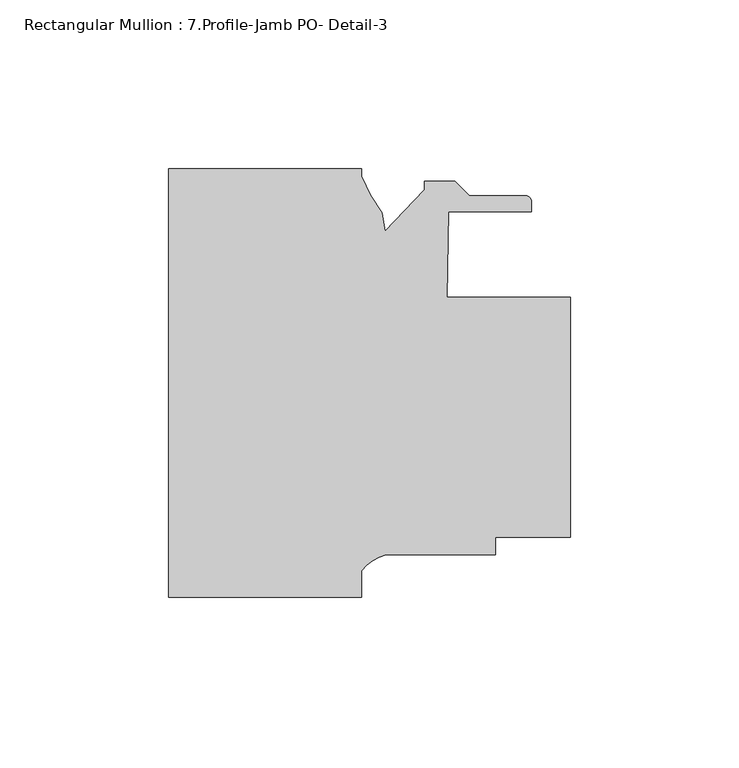
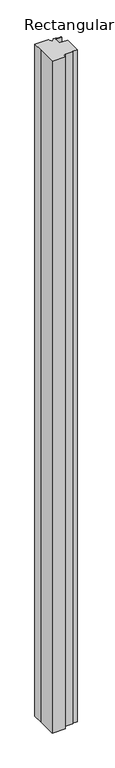
"""IFC4 building model written with IfcOpenShell, lengths in millimetres: member geometry, Rectangular Mullion : 7.Profile-Jamb PO- Detail-3."""

from ifc_helpers import new_model, si_unit, point, frame, frame_2d, origin, place, context, project, spatial, polyline, circle_curve, trimmed, segment, composite_curve, outline, extrude, source, transform, mapped, element, save


def rectangular_mullion_7_profile_jamb_po_detail_3_d5553ccb(model_context):
    return source(origin(), model_context, "Body", "SweptSolid", [
        extrude(outline(composite_curve([segment(polyline([(-61.9124999, 0.0), (-61.9124999, -2.214836)]), True, "CONTINUOUS"), segment(trimmed(circle_curve(frame_2d((-10.2567697, 19.7086057)), 56.1155216), [point((-61.9124999, -2.214836))], [point((-55.8195555, -13.0478335))], True, "CARTESIAN"), True, "CONTINUOUS"), segment(polyline([(-55.8195555, -13.0478335), (-54.8609038, -18.4846173), (-43.2363504, -6.2788361), (-43.2363504, -3.7388361), (-34.1360582, -3.7388361), (-29.8688582, -8.0060361), (-13.2643504, -8.0060361)]), True, "CONTINUOUS"), segment(trimmed(circle_curve(frame_2d((-13.2643504, -9.7840361)), 1.778), [point((-13.2643504, -8.0060361))], [point((-11.4863504, -9.7840361))], False, "CARTESIAN"), True, "CONTINUOUS"), segment(polyline([(-11.4863504, -9.7840361), (-11.4863504, -12.7050363), (-36.1664694, -12.7050363), (-36.6098281, -38.1050361), (0.0, -38.1050361), (0.0, -109.2250361), (-22.2249999, -109.2250361), (-22.2249999, -114.3050361), (-54.6199873, -114.3050361)]), True, "CONTINUOUS"), segment(trimmed(circle_curve(frame_2d((-51.0928183, -127.5358498)), 13.6928942), [point((-54.6199873, -114.3050361))], [point((-61.9124999, -119.1436009))], True, "CARTESIAN"), True, "CONTINUOUS"), segment(polyline([(-61.9124999, -119.1436009), (-61.9124999, -127.0), (-119.0624999, -127.0), (-119.0624999, -42.110753), (-119.0624999, 0.0), (-61.9124999, 0.0)]), True, "CONTINUOUS")], self_intersect=False)), frame((0.0, 0.0, -3048.0), z_axis=(0.0, 0.0, 1.0), x_axis=(1.0, 0.0, 0.0)), (0.0, 0.0, 1.0), 3048.0),
    ])


if __name__ == "__main__":
    model = new_model("IFC4")
    model_context = context("Model", 3, world=origin())
    ifc_project = project(units=[si_unit("LENGTHUNIT", "METRE", prefix="MILLI")], contexts=[model_context])
    site = spatial("IfcSite", under=ifc_project)
    building = spatial("IfcBuilding", under=site)
    placement = place(None, origin())
    rectangular_mullion_7_profile_jamb_po_detail_3_shape = rectangular_mullion_7_profile_jamb_po_detail_3_d5553ccb(model_context)
    element("IfcMember", 1, ObjectType="Rectangular Mullion : 7.Profile-Jamb PO- Detail-3", at=placement, inside=building, context=model_context, shape_type="MappedRepresentation", body=[
        mapped(rectangular_mullion_7_profile_jamb_po_detail_3_shape, transform((0.0, 0.0, 0.0), x_axis=(1.0, 0.0, 0.0), y_axis=(0.0, 1.0, 0.0), z_axis=(0.0, 0.0, 1.0))),
    ])
    save(model, "model.ifc")
